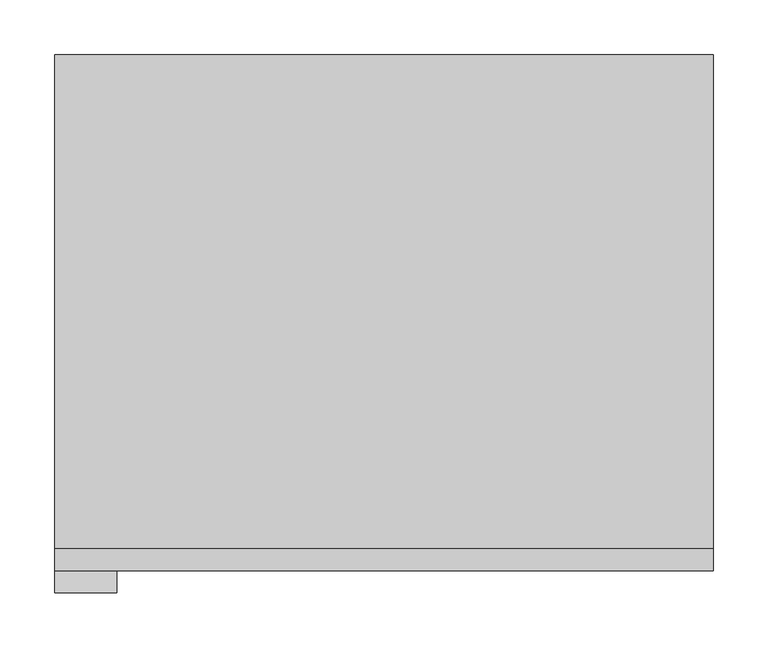
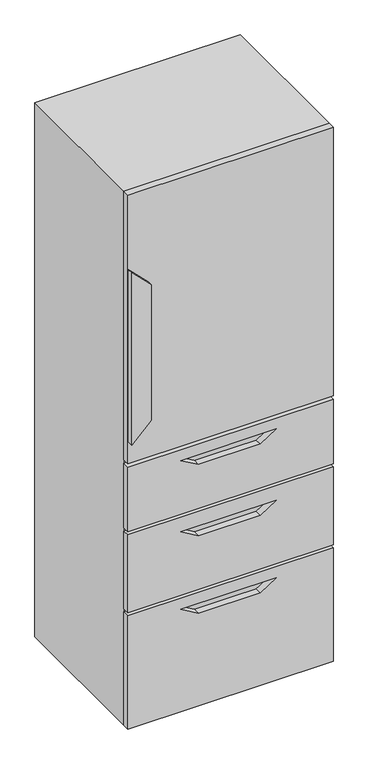
"""IFC4 building model written with IfcOpenShell, lengths in millimetres: furniture geometry."""

from ifc_helpers import new_model, si_unit, frame, origin, origin_with_axes, place, context, project, spatial, polyline, outline, extrude, source, transform, mapped, element, save


def furniture_6371bbdb(model_context):
    return source(origin(), model_context, "Body", "SweptSolid", [
        extrude(outline(polyline([(0.0, 820.0), (350.0, 820.0), (350.0, 220.0), (0.0, 220.0), (0.0, 820.0)]), holes=[polyline([(315.8427178, 654.6870641), (285.8427178, 606.6485883), (285.8427178, 426.6485883), (315.8427178, 374.6870641), (315.8427178, 654.6870641)])]), frame((0.0, -740.0, 0.0), z_axis=(0.0, 1.0, 0.0), x_axis=(0.0, 0.0, 1.0)), (0.0, 0.0, 1.0), 20.0),
        extrude(outline(polyline([(360.0, 820.0), (600.0, 820.0), (600.0, 220.0), (360.0, 220.0), (360.0, 820.0)]), holes=[polyline([(555.8427178, 654.6870641), (525.8427178, 606.6485883), (525.8427178, 426.6485883), (555.8427178, 374.6870641), (555.8427178, 654.6870641)])]), frame((0.0, -740.0, 0.0), z_axis=(0.0, 1.0, 0.0), x_axis=(0.0, 0.0, 1.0)), (0.0, 0.0, 1.0), 20.0),
        extrude(outline(polyline([(610.0, 820.0), (810.0, 820.0), (810.0, 220.0), (610.0, 220.0), (610.0, 820.0)]), holes=[polyline([(775.8427178, 654.6870641), (745.8427178, 606.6485883), (745.8427178, 426.6485883), (775.8427178, 374.6870641), (775.8427178, 654.6870641)])]), frame((0.0, -740.0, 0.0), z_axis=(0.0, 1.0, 0.0), x_axis=(0.0, 0.0, 1.0)), (0.0, 0.0, 1.0), 20.0),
        extrude(outline(polyline([(820.0, -740.0), (220.0, -740.0), (220.0, -720.0), (820.0, -720.0), (820.0, -740.0)])), frame((0.0, 0.0, 820.0), z_axis=(0.0, 0.0, 1.0), x_axis=(1.0, 0.0, 0.0)), (0.0, 0.0, 1.0), 830.0),
        extrude(outline(polyline([(820.0, -270.0), (820.0, -720.0), (220.0, -720.0), (220.0, -270.0), (820.0, -270.0)])), origin_with_axes(), (0.0, 0.0, 1.0), 1650.0),
        extrude(outline(polyline([(890.0, 220.0), (946.5685425, 276.5685425), (1365.1271573, 276.5685425), (1421.6956998, 220.0), (890.0, 220.0)])), frame((0.0, -760.0, 0.0), z_axis=(0.0, 1.0, 0.0), x_axis=(0.0, 0.0, 1.0)), (0.0, 0.0, 1.0), 20.0),
    ])


if __name__ == "__main__":
    model = new_model("IFC4")
    model_context = context("Model", 3, world=origin())
    ifc_project = project(units=[si_unit("LENGTHUNIT", "METRE", prefix="MILLI")], contexts=[model_context])
    site = spatial("IfcSite", under=ifc_project)
    building = spatial("IfcBuilding", under=site)
    placement = place(None, origin())
    furniture_shape = furniture_6371bbdb(model_context)
    element("IfcFurniture", 1, at=placement, inside=building, context=model_context, shape_type="MappedRepresentation", body=[
        mapped(furniture_shape, transform((0.0, 0.0, 0.0), x_axis=(1.0, 0.0, 0.0), y_axis=(0.0, 1.0, 0.0), z_axis=(0.0, 0.0, 1.0))),
    ])
    save(model, "model.ifc")
